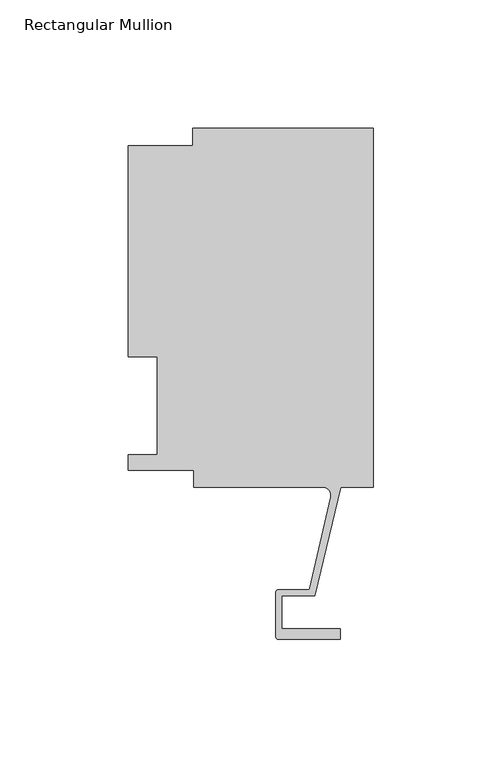
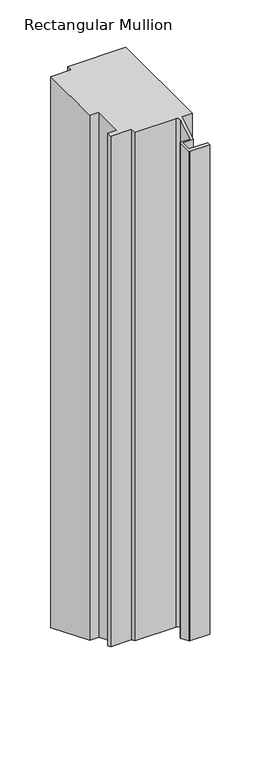
"""IFC4 building model written with IfcOpenShell, lengths in millimetres: member geometry, Rectangular Mullion."""

from ifc_helpers import new_model, si_unit, frame, origin, place, context, project, spatial, polyline, circle_curve, ellipse_curve, source, transform, mapped, element, save
from ifc_brep_helpers import plane_surface, cylinder_surface, revolved_surface, advanced_brep


def rectangular_mullion_adb48320(model_context):
    return source(origin(), model_context, "Body", "AdvancedBrep", [
        advanced_brep(
        [(-70.3072, 133.3497673, 0.0), (-70.3072, 126.6189003, 0.0), (-95.25, 126.6189003, 0.0), (-95.25, 44.45, 0.0), (-84.1375, 44.45, 0.0), (-84.1375, 6.35, 0.0), (-95.25, 6.35, 0.0), (-95.25, 0.4063003, 0.0), (-69.85, 0.4063003, 0.0), (-69.85, -6.2261976, 0.0), (-19.681515, -6.2261976, 0.0), (-16.585275, -10.1039944, 0.0), (-24.6514289, -45.6402261, 0.0), (-25.3893173, -46.2120559, 0.0), (-37.0958677, -46.2120559, 0.0), (-37.8578677, -46.9740559, 0.0), (-37.8578677, -64.6066974, 0.0), (-37.0704677, -65.3940974, 0.0), (-12.7611926, -65.3940974, 0.0), (-12.7611926, -61.4062974, 0.0), (-35.5718677, -61.4062974, 0.0), (-35.5718677, -48.4980559, 0.0), (-22.7594087, -48.4980559, 0.0), (-12.7, -6.2261964, 0.0), (0.0, -6.2261964, 0.0), (0.0, 133.3497673, 0.0), (0.0, 133.3497673, -711.7780957), (-70.3072, 133.3497673, -711.7780957), (-70.3072, 126.6189003, -708.9900793), (-95.25, 126.6189003, -708.9900793), (-95.25, 44.45, -674.9546064), (-84.1375, 44.45, -674.9546064), (-84.1375, 6.35, -659.1730697), (-95.25, 6.35, -659.1730697), (-95.25, 0.4063003, -656.7111087), (-69.85, 0.4063003, -656.7111087), (-69.85, -6.2261976, -653.9638381), (-19.681515, -6.2261976, -653.9638381), (-16.585275, -10.1039944, -652.3576021), (-24.6514289, -45.6402261, -637.6380129), (-25.3893173, -46.2120559, -637.4011533), (-37.0958677, -46.2120559, -637.4011533), (-37.8578677, -46.9740559, -637.0855225), (-37.8578677, -64.6066974, -629.7818433), (-37.0704677, -65.3940974, -629.4556915), (-12.7611926, -65.3940974, -629.4556915), (-12.7611926, -61.4062974, -631.1074924), (-35.5718677, -61.4062974, -631.1074924), (-35.5718677, -48.4980559, -636.4542611), (-22.7594087, -48.4980559, -636.4542611), (-12.7, -6.2261964, -653.9638386), (0.0, -6.2261964, -653.9638386)],
        [
            (0, 1),
            (1, 2),
            (2, 3),
            (3, 4),
            (4, 5),
            (5, 6),
            (6, 7),
            (7, 8),
            (8, 9),
            (9, 10),
            (10, 11, circle_curve(frame((-19.681515, -9.4011976, 0.0), z_axis=(0.0, 0.0, -1.0), x_axis=(0.0, 1.0, 0.0)), 3.175)),
            (11, 12),
            (12, 13, circle_curve(frame((-25.3679884, -45.4775786, 0.0), z_axis=(0.0, 0.0, -1.0), x_axis=(0.0, 1.0, 0.0)), 0.7347869)),
            (13, 14),
            (14, 15, circle_curve(frame((-37.0958677, -46.9740559, 0.0), z_axis=(0.0, 0.0, 1.0), x_axis=(0.0, 1.0, 0.0)), 0.762)),
            (15, 16),
            (16, 17, circle_curve(frame((-37.0704677, -64.6066974, 0.0), z_axis=(0.0, 0.0, 1.0), x_axis=(0.0, 1.0, 0.0)), 0.7874)),
            (17, 18),
            (18, 19),
            (19, 20),
            (20, 21),
            (21, 22),
            (22, 23),
            (23, 24),
            (24, 25),
            (25, 0),
            (25, 26),
            (26, 27),
            (27, 0),
            (27, 28),
            (28, 1),
            (28, 29),
            (29, 2),
            (29, 30),
            (30, 3),
            (30, 31),
            (31, 4),
            (31, 32),
            (32, 5),
            (32, 33),
            (33, 6),
            (33, 34),
            (34, 7),
            (34, 35),
            (35, 8),
            (35, 36),
            (36, 9),
            (36, 37),
            (37, 10),
            (37, 38, ellipse_curve(frame((-19.681515, -9.4011976, -652.64871), z_axis=(0.0, -0.38268343236508945, -0.923879532511287), x_axis=(0.0, 0.9238795325112871, -0.38268343236508906)), 3.4365952, 3.175)),
            (38, 11),
            (38, 39),
            (39, 12),
            (39, 40, ellipse_curve(frame((-25.3679884, -45.4775786, -637.7053837), z_axis=(0.0, -0.38268343236508945, -0.923879532511287), x_axis=(0.0, 0.9238795325112871, -0.38268343236508906)), 0.7953276, 0.7347869)),
            (40, 13),
            (40, 41),
            (41, 14),
            (41, 42, ellipse_curve(frame((-37.0958677, -46.9740559, -637.0855225), z_axis=(0.0, 0.38268343236508945, 0.923879532511287), x_axis=(0.0, -0.9238795325112871, 0.38268343236508906)), 0.8247829, 0.762)),
            (42, 15),
            (42, 43),
            (43, 16),
            (43, 44, ellipse_curve(frame((-37.0704677, -64.6066974, -629.7818433), z_axis=(0.0, 0.38268343236508945, 0.923879532511287), x_axis=(0.0, -0.9238795325112871, 0.38268343236508906)), 0.8522756, 0.7874)),
            (44, 17),
            (44, 45),
            (45, 18),
            (45, 46),
            (46, 19),
            (46, 47),
            (47, 20),
            (47, 48),
            (48, 21),
            (48, 49),
            (49, 22),
            (49, 50),
            (50, 23),
            (50, 51),
            (51, 24),
            (51, 26),
        ],
        [
            plane_surface(frame((0.0, -158.4452852, 0.0), z_axis=(0.0, 0.0, 1.0), x_axis=(-1.0, 0.0, 0.0))),
            plane_surface(frame((0.0, 133.3497673, 0.0), z_axis=(0.0, 1.0, 0.0), x_axis=(0.0, 0.0, -1.0))),
            plane_surface(frame((-70.3072, 133.3497673, 0.0), z_axis=(-1.0, 0.0, 0.0), x_axis=(0.0, 0.0, -1.0))),
            plane_surface(frame((-70.3072, 126.6189003, 0.0), z_axis=(0.0, 1.0, 0.0), x_axis=(0.0, 0.0, -1.0))),
            plane_surface(frame((-95.25, 126.6189003, 0.0), z_axis=(-1.0, 0.0, 0.0), x_axis=(0.0, 0.0, -1.0))),
            plane_surface(frame((-95.25, 44.45, 0.0), z_axis=(0.0, -1.0, 0.0), x_axis=(0.0, 0.0, -1.0))),
            plane_surface(frame((-84.1375, 44.45, 0.0), z_axis=(-1.0, 0.0, 0.0), x_axis=(0.0, 0.0, -1.0))),
            plane_surface(frame((-84.1375, 6.35, 0.0), z_axis=(0.0, 1.0, 0.0), x_axis=(0.0, 0.0, -1.0))),
            plane_surface(frame((-95.25, 6.35, 0.0), z_axis=(-1.0, 0.0, 0.0), x_axis=(0.0, 0.0, -1.0))),
            plane_surface(frame((-95.25, 0.4063003, 0.0), z_axis=(0.0, -1.0, 0.0), x_axis=(0.0, 0.0, -1.0))),
            plane_surface(frame((-69.85, 0.4063003, 0.0), z_axis=(-1.0, 0.0, 0.0), x_axis=(0.0, 0.0, -1.0))),
            plane_surface(frame((-69.85, -6.2261976, 0.0), z_axis=(0.0, -1.0, 0.0), x_axis=(0.0, 0.0, -1.0))),
            revolved_surface(polyline([(-19.681515, -6.2261976, -653.9638381), (-19.681515, -6.2261976, 0.0)]), (-19.681515, -9.4011976, 0.0), (0.0, 0.0, -1.0)),
            plane_surface(frame((-16.585275, -10.1039944, 0.0), z_axis=(-0.9751936808086197, 0.2213533033657647, 0.0), x_axis=(0.0, 0.0, -1.0))),
            revolved_surface(polyline([(-25.3679884, -44.7427917, -638.0097423958226), (-25.3679884, -44.7427917, 0.0)]), (-25.3679884, -45.4775786, 0.0), (0.0, 0.0, -1.0)),
            plane_surface(frame((-25.3893173, -46.2120559, 0.0), z_axis=(0.0, 1.0, 0.0), x_axis=(0.0, 0.0, -1.0))),
            cylinder_surface(frame((-37.0958677, -46.9740559, 0.0), z_axis=(0.0, 0.0, 1.0), x_axis=(0.0, 1.0, 0.0)), 0.762),
            plane_surface(frame((-37.8578677, -46.9740559, 0.0), z_axis=(-1.0, 0.0, 0.0), x_axis=(0.0, 0.0, -1.0))),
            cylinder_surface(frame((-37.0704677, -64.6066974, 0.0), z_axis=(0.0, 0.0, 1.0), x_axis=(0.0, 1.0, 0.0)), 0.7874),
            plane_surface(frame((-37.0704677, -65.3940974, 0.0), z_axis=(0.0, -1.0, 0.0), x_axis=(0.0, 0.0, -1.0))),
            plane_surface(frame((-12.7611926, -65.3940974, 0.0), z_axis=(1.0, 0.0, 0.0), x_axis=(0.0, 0.0, -1.0))),
            plane_surface(frame((-12.7611926, -61.4062974, 0.0), z_axis=(0.0, 1.0, 0.0), x_axis=(0.0, 0.0, -1.0))),
            plane_surface(frame((-35.5718677, -61.4062974, 0.0), z_axis=(1.0, 0.0, 0.0), x_axis=(0.0, 0.0, -1.0))),
            plane_surface(frame((-35.5718677, -48.4980559, 0.0), z_axis=(0.0, -1.0, 0.0), x_axis=(0.0, 0.0, -1.0))),
            plane_surface(frame((-22.7594087, -48.4980559, 0.0), z_axis=(0.9728337932070832, -0.23150466689533117, 0.0), x_axis=(0.0, 0.0, -1.0))),
            plane_surface(frame((-12.7, -6.2261964, 0.0), z_axis=(0.0, -1.0, 0.0), x_axis=(0.0, 0.0, -1.0))),
            plane_surface(frame((0.0, -6.2261964, 0.0), z_axis=(1.0, 0.0, 0.0), x_axis=(0.0, 0.0, -1.0))),
            plane_surface(frame((304.8, 0.0, -656.5428136), z_axis=(0.0, -0.38268343236508945, -0.923879532511287), x_axis=(0.0, -0.923879532511287, 0.38268343236508945))),
        ],
        [
            (0, [[1, 2, 3, 4, 5, 6, 7, 8, 9, 10, 11, 12, 13, 14, 15, 16, 17, 18, 19, 20, 21, 22, 23, 24, 25, 26]]),
            (1, [[-26, 27, 28, 29]]),
            (2, [[-1, -29, 30, 31]]),
            (3, [[-2, -31, 32, 33]]),
            (4, [[-3, -33, 34, 35]]),
            (5, [[-4, -35, 36, 37]]),
            (6, [[-5, -37, 38, 39]]),
            (7, [[-6, -39, 40, 41]]),
            (8, [[-7, -41, 42, 43]]),
            (9, [[-8, -43, 44, 45]]),
            (10, [[-9, -45, 46, 47]]),
            (11, [[-10, -47, 48, 49]]),
            (12, [[-11, -49, 50, 51]]),
            (13, [[-12, -51, 52, 53]]),
            (14, [[-13, -53, 54, 55]]),
            (15, [[-14, -55, 56, 57]]),
            (16, [[-15, -57, 58, 59]]),
            (17, [[-16, -59, 60, 61]]),
            (18, [[-17, -61, 62, 63]]),
            (19, [[-18, -63, 64, 65]]),
            (20, [[-19, -65, 66, 67]]),
            (21, [[-20, -67, 68, 69]]),
            (22, [[-21, -69, 70, 71]]),
            (23, [[-22, -71, 72, 73]]),
            (24, [[-23, -73, 74, 75]]),
            (25, [[-24, -75, 76, 77]]),
            (26, [[-25, -77, 78, -27]]),
            (27, [[-28, -78, -76, -74, -72, -70, -68, -66, -64, -62, -60, -58, -56, -54, -52, -50, -48, -46, -44, -42, -40, -38, -36, -34, -32, -30]]),
        ],
    ),
    ])


if __name__ == "__main__":
    model = new_model("IFC4")
    model_context = context("Model", 3, world=origin())
    ifc_project = project(units=[si_unit("LENGTHUNIT", "METRE", prefix="MILLI")], contexts=[model_context])
    site = spatial("IfcSite", under=ifc_project)
    building = spatial("IfcBuilding", under=site)
    placement = place(None, origin())
    rectangular_mullion_shape = rectangular_mullion_adb48320(model_context)
    element("IfcMember", 1, ObjectType="Rectangular Mullion", at=placement, inside=building, context=model_context, shape_type="MappedRepresentation", body=[
        mapped(rectangular_mullion_shape, transform((0.0, 0.0, 0.0), x_axis=(1.0, 0.0, 0.0), y_axis=(0.0, 1.0, 0.0), z_axis=(0.0, 0.0, 1.0))),
    ])
    save(model, "model.ifc")
